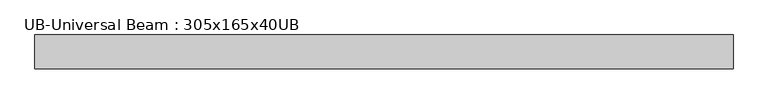
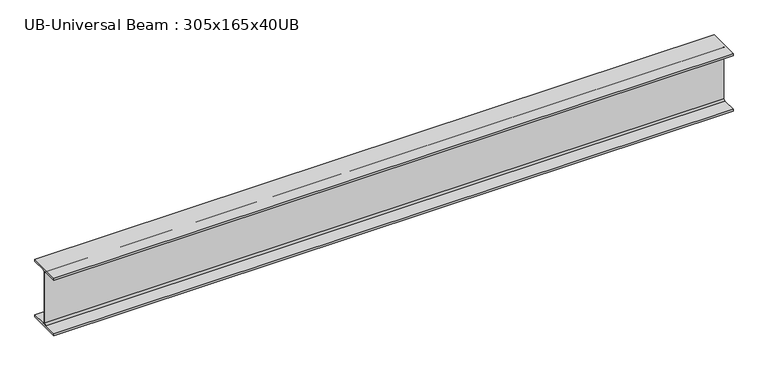
"""IFC4 building model written with IfcOpenShell, lengths in millimetres: beam geometry, UB-Universal Beam : 305x165x40UB."""

from ifc_helpers import new_model, si_unit, point, frame, frame_2d, origin, place, context, project, spatial, polyline, circle_curve, trimmed, segment, composite_curve, outline, extrude, source, transform, mapped, element, save


def ub_universal_beam_305x165x40ub_550deb32(model_context):
    return source(origin(), model_context, "Body", "SweptSolid", [
        extrude(outline(composite_curve([segment(polyline([(82.5, -141.5), (82.5, -151.7), (-82.5, -151.7), (-82.5, -141.5), (-11.9, -141.5)]), True, "CONTINUOUS"), segment(trimmed(circle_curve(frame_2d((-11.9, -132.6)), 8.9), [point((-11.9, -141.5))], [point((-3.0, -132.6))], True, "CARTESIAN"), True, "CONTINUOUS"), segment(polyline([(-3.0, -132.6), (-3.0, 132.6)]), True, "CONTINUOUS"), segment(trimmed(circle_curve(frame_2d((-11.9, 132.6)), 8.9), [point((-3.0, 132.6))], [point((-11.9, 141.5))], True, "CARTESIAN"), True, "CONTINUOUS"), segment(polyline([(-11.9, 141.5), (-82.5, 141.5), (-82.5, 151.7), (82.5, 151.7), (82.5, 141.5), (11.9, 141.5)]), True, "CONTINUOUS"), segment(trimmed(circle_curve(frame_2d((11.9, 132.6)), 8.9), [point((11.9, 141.5))], [point((3.0, 132.6))], True, "CARTESIAN"), True, "CONTINUOUS"), segment(polyline([(3.0, 132.6), (3.0, -132.6)]), True, "CONTINUOUS"), segment(trimmed(circle_curve(frame_2d((11.9, -132.6)), 8.9), [point((3.0, -132.6))], [point((11.9, -141.5))], True, "CARTESIAN"), True, "CONTINUOUS"), segment(polyline([(11.9, -141.5), (82.5, -141.5)]), True, "CONTINUOUS")], self_intersect=False)), frame((-1713.6611282, 0.0, 0.0), z_axis=(1.0, 0.0, 0.0), x_axis=(0.0, 1.0, 0.0)), (0.0, 0.0, 1.0), 3391.3740949),
    ])


if __name__ == "__main__":
    model = new_model("IFC4")
    model_context = context("Model", 3, world=origin())
    ifc_project = project(units=[si_unit("LENGTHUNIT", "METRE", prefix="MILLI")], contexts=[model_context])
    site = spatial("IfcSite", under=ifc_project)
    building = spatial("IfcBuilding", under=site)
    placement = place(None, origin())
    ub_universal_beam_305x165x40ub_shape = ub_universal_beam_305x165x40ub_550deb32(model_context)
    element("IfcBeam", 1, ObjectType="UB-Universal Beam : 305x165x40UB", at=placement, inside=building, context=model_context, shape_type="MappedRepresentation", body=[
        mapped(ub_universal_beam_305x165x40ub_shape, transform((0.0, 0.0, 0.0), x_axis=(1.0, 0.0, 0.0), y_axis=(0.0, 1.0, 0.0), z_axis=(0.0, 0.0, 1.0))),
    ])
    save(model, "model.ifc")
